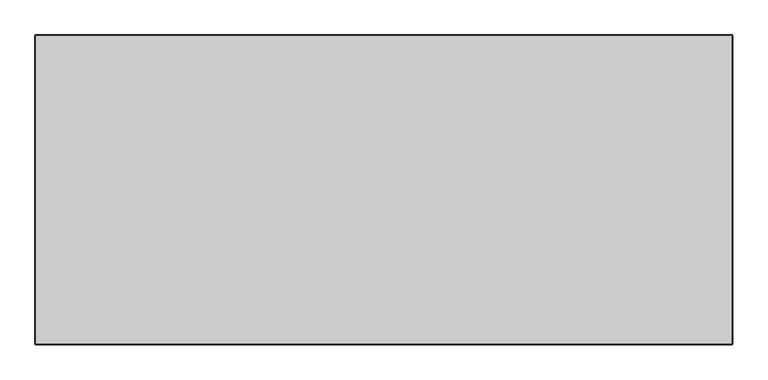
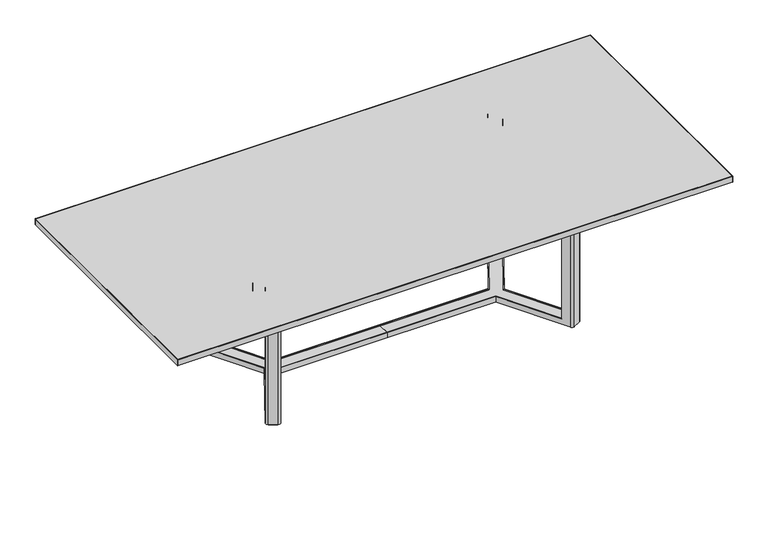
"""IFC4 building model written with IfcOpenShell, lengths in millimetres: furniture geometry."""

from ifc_helpers import new_model, si_unit, point, frame, frame_2d, origin, origin_with_axes, place, context, project, spatial, polyline, circle_curve, trimmed, segment, composite_curve, outline, extrude, source, transform, mapped, element, save
from ifc_brep_helpers import plane_surface, cylinder_surface, advanced_brep


def furniture_3adfea7e(model_context):
    return source(origin(), model_context, "Body", "SolidModel", [
        extrude(outline(polyline([(766.2832198, 334.8467541), (753.2834234, 312.3304463), (745.4895018, 316.8302691), (746.7395039, 318.9953363), (752.3683584, 315.7455157), (762.8682532, 333.931867), (731.6914984, 351.9317747), (721.1916036, 333.7454235), (726.820814, 330.4953973), (725.5708119, 328.33033), (717.7765342, 332.8303584), (730.7763305, 355.3466661), (766.2832198, 334.8467541)])), frame((0.0, 0.0, 3.8124459), z_axis=(0.0, 0.0, 1.0), x_axis=(1.0, 0.0, 0.0)), (0.0, 0.0, 1.0), 3.2441957),
        extrude(outline(polyline([(765.4157059, -335.7676189), (729.9088166, -356.2675309), (716.9090203, -333.7512232), (724.703298, -329.2511949), (725.9533001, -331.4162621), (720.3240897, -334.6662883), (730.8239845, -352.8526395), (762.0007392, -334.8527318), (751.5008444, -316.6663805), (745.87199, -319.9162011), (744.6219878, -317.7511339), (752.4159095, -313.2513111), (765.4157059, -335.7676189)])), frame((0.0, 0.0, 3.8124459), z_axis=(0.0, 0.0, 1.0), x_axis=(1.0, 0.0, 0.0)), (0.0, 0.0, 1.0), 3.2441957),
        extrude(outline(composite_curve([segment(trimmed(circle_curve(frame_2d((741.281989, 333.4237875)), 10.0763448), [point((741.281989, 343.5001323))], [point((741.281989, 323.3474426))], False, "CARTESIAN"), True, "CONTINUOUS"), segment(trimmed(circle_curve(frame_2d((741.281989, 333.4237875)), 10.0763448), [point((741.281989, 323.3474426))], [point((741.281989, 343.5001323))], False, "CARTESIAN"), True, "CONTINUOUS")], self_intersect=False)), origin_with_axes(), (0.0, 0.0, 1.0), 3.8124459),
        extrude(outline(composite_curve([segment(trimmed(circle_curve(frame_2d((741.0781829, -334.87632)), 10.0763448), [point((741.0781829, -324.7999751))], [point((741.0781829, -344.9526648))], False, "CARTESIAN"), True, "CONTINUOUS"), segment(trimmed(circle_curve(frame_2d((741.0781829, -334.87632)), 10.0763448), [point((741.0781829, -344.9526648))], [point((741.0781829, -324.7999751))], False, "CARTESIAN"), True, "CONTINUOUS")], self_intersect=False)), origin_with_axes(), (0.0, 0.0, 1.0), 3.8124459),
        extrude(outline(composite_curve([segment(polyline([(810.1588066, 282.0217727), (782.4631375, 234.0512966)]), True, "CONTINUOUS"), segment(trimmed(circle_curve(frame_2d((771.4646051, 240.4012797)), 12.7), [point((782.4631375, 234.0512966))], [point((765.1146051, 229.4027571))], False, "CARTESIAN"), True, "CONTINUOUS"), segment(polyline([(765.1146051, 229.4027571), (641.3814353, 300.840136)]), True, "CONTINUOUS"), segment(trimmed(circle_curve(frame_2d((647.7314353, 311.8386586)), 12.7), [point((641.3814353, 300.840136))], [point((636.732903, 318.1886417))], False, "CARTESIAN"), True, "CONTINUOUS"), segment(polyline([(636.732903, 318.1886417), (664.4284625, 366.158928)]), True, "CONTINUOUS"), segment(trimmed(circle_curve(frame_2d((737.2936346, 324.0903503)), 84.1373789), [point((664.4284625, 366.158928))], [point((810.1588066, 282.0217727))], False, "CARTESIAN"), True, "CONTINUOUS")], self_intersect=False)), frame((0.0, 0.0, 685.8750439), z_axis=(0.0, 0.0, 1.0), x_axis=(1.0, 0.0, 0.0)), (0.0, 0.0, 1.0), 3.8101841),
        extrude(outline(composite_curve([segment(trimmed(circle_curve(frame_2d((739.3063581, -324.2697206)), 84.1373789), [point((812.1715302, -282.201143))], [point((666.4411861, -366.3382982))], False, "CARTESIAN"), True, "CONTINUOUS"), segment(polyline([(666.4411861, -366.3382982), (638.7456266, -318.368012)]), True, "CONTINUOUS"), segment(trimmed(circle_curve(frame_2d((649.7441589, -312.0180289)), 12.7), [point((638.7456266, -318.368012))], [point((643.3941589, -301.0195063))], False, "CARTESIAN"), True, "CONTINUOUS"), segment(polyline([(643.3941589, -301.0195063), (767.1273287, -229.5821274)]), True, "CONTINUOUS"), segment(trimmed(circle_curve(frame_2d((773.4773287, -240.58065)), 12.7), [point((767.1273287, -229.5821274))], [point((784.4758611, -234.2306669))], False, "CARTESIAN"), True, "CONTINUOUS"), segment(polyline([(784.4758611, -234.2306669), (812.1715302, -282.201143)]), True, "CONTINUOUS")], self_intersect=False)), frame((0.0, 0.0, 685.8750439), z_axis=(0.0, 0.0, 1.0), x_axis=(1.0, 0.0, 0.0)), (0.0, 0.0, 1.0), 3.8101841),
        advanced_brep(
        [(0.0, 33.4101995, 7.539151), (0.0, -33.6798577, 7.539151), (0.0, -33.6798577, 35.368931), (0.0, -30.2791883, 35.368931), (0.0, -30.2791883, 30.5884305), (0.0, 30.279994, 30.5884305), (0.0, 30.279994, 35.368931), (0.0, 33.4101995, 35.368931), (534.9993638, 33.4101995, 35.368931), (534.9993638, 33.4101995, 7.539151), (536.879207, 30.279994, 35.368931), (699.8310922, 319.1637692, 35.368931), (697.0655274, 320.723753, 35.368931), (536.879207, 30.279994, 30.5884305), (535.1210008, -30.2791883, 30.5884305), (698.5106743, -319.9390818, 30.5884305), (751.0708075, -290.2912666, 30.5884305), (588.2038687, -1.5580855, 30.5884305), (754.2458075, 292.8037875, 30.5884305), (701.6856743, 322.4516028, 30.5884305), (535.1210008, -30.2791883, 35.368931), (533.3937193, -33.6798577, 35.368931), (693.8905274, -318.211232, 35.368931), (696.6560922, -316.6512482, 35.368931), (533.3937193, -33.6798577, 7.539151), (717.8843571, 357.6317158, 7.539151), (735.1854589, 362.4537355, 7.539151), (771.1313118, 342.1776072, 7.539151), (775.9533316, 324.8765053, 7.539151), (591.82, -1.5580855, 7.539151), (772.7783316, -322.3639843, 7.539151), (767.9563118, -339.6650862, 7.539151), (732.0104589, -359.9412145, 7.539151), (714.7093571, -355.1191948, 7.539151), (714.7093571, -355.1191948, 685.8750439), (693.8905274, -318.211232, 685.8750439), (696.6560922, -316.6512482, 685.8750439), (698.5106743, -319.9390818, 685.8750439), (751.0708075, -290.2912666, 685.8750439), (749.2162254, -287.003433, 685.8750439), (749.2162254, -287.003433, 35.368931), (588.2038687, -1.5580855, 35.368931), (751.9595019, -285.4560215, 35.368931), (591.82, -1.5580855, 35.368931), (755.1345019, 287.9685425, 35.368931), (752.3912254, 289.515954, 35.368931), (772.7783316, -322.3639843, 685.8750439), (751.9595019, -285.4560215, 685.8750439), (697.0655274, 320.723753, 685.8750439), (717.8843571, 357.6317158, 685.8750439), (701.6856743, 322.4516028, 685.8750439), (699.8310922, 319.1637692, 685.8750439), (752.3912254, 289.515954, 685.8750439), (754.2458075, 292.8037875, 685.8750439), (775.9533316, 324.8765053, 685.8750439), (755.1345019, 287.9685425, 685.8750439), (767.9563118, -339.6650862, 685.8750439), (732.0104589, -359.9412145, 685.8750439), (771.1313118, 342.1776072, 685.8750439), (735.1854589, 362.4537355, 685.8750439)],
        [
            (0, 1),
            (1, 2),
            (2, 3),
            (3, 4),
            (4, 5),
            (5, 6),
            (6, 7),
            (7, 0),
            (7, 8),
            (8, 9),
            (9, 0),
            (6, 10),
            (10, 11),
            (11, 12),
            (12, 8),
            (5, 13),
            (13, 10),
            (4, 14),
            (14, 15),
            (15, 16),
            (16, 17),
            (17, 18),
            (18, 19),
            (19, 13),
            (3, 20),
            (20, 14),
            (2, 21),
            (21, 22),
            (22, 23),
            (23, 20),
            (1, 24),
            (24, 21),
            (9, 25),
            (25, 26, circle_curve(frame((728.9459179, 351.3921747, 7.539151), z_axis=(0.0, 0.0, -1.0), x_axis=(-0.9999498574550038, -0.010014118818836794, 0.0)), 12.7)),
            (26, 27),
            (27, 28, circle_curve(frame((764.8917708, 331.1160464, 7.539151), z_axis=(0.0, 0.0, -1.0), x_axis=(-0.9999498574550038, -0.010014118818836794, 0.0)), 12.7)),
            (28, 29),
            (29, 30),
            (30, 31, circle_curve(frame((761.7167708, -328.6035254, 7.539151), z_axis=(0.0, 0.0, -1.0), x_axis=(-0.9999498574550038, 0.010014118818836794, 0.0)), 12.7)),
            (31, 32),
            (32, 33, circle_curve(frame((725.7709179, -348.8796537, 7.539151), z_axis=(0.0, 0.0, -1.0), x_axis=(-0.9999498574550038, 0.010014118818836794, 0.0)), 12.7)),
            (33, 24),
            (33, 34),
            (34, 35),
            (35, 22),
            (23, 36),
            (36, 37),
            (37, 15),
            (16, 38),
            (38, 39),
            (39, 40),
            (40, 41),
            (41, 17),
            (40, 42),
            (42, 43),
            (43, 44),
            (44, 45),
            (45, 41),
            (46, 30),
            (29, 43),
            (42, 47),
            (47, 46),
            (12, 48),
            (48, 49),
            (49, 25),
            (19, 50),
            (50, 51),
            (51, 11),
            (45, 52),
            (52, 53),
            (53, 18),
            (28, 54),
            (54, 55),
            (55, 44),
            (56, 46, circle_curve(frame((761.7167708, -328.6035254, 685.8750439), z_axis=(0.0, 0.0, 1.0), x_axis=(-0.9999498574550038, 0.010014118818836794, 0.0)), 12.7)),
            (47, 39),
            (38, 37),
            (36, 35),
            (34, 57, circle_curve(frame((725.7709179, -348.8796537, 685.8750439), z_axis=(0.0, 0.0, 1.0), x_axis=(-0.9999498574550038, 0.010014118818836794, 0.0)), 12.7)),
            (57, 56),
            (57, 32),
            (31, 56),
            (58, 59),
            (59, 49, circle_curve(frame((728.9459179, 351.3921747, 685.8750439), z_axis=(0.0, 0.0, 1.0), x_axis=(-0.9999498574550038, -0.010014118818836794, 0.0)), 12.7)),
            (48, 51),
            (50, 53),
            (52, 55),
            (54, 58, circle_curve(frame((764.8917708, 331.1160464, 685.8750439), z_axis=(0.0, 0.0, 1.0), x_axis=(-0.9999498574550038, -0.010014118818836794, 0.0)), 12.7)),
            (58, 27),
            (26, 59),
        ],
        [
            plane_surface(frame((0.0, 33.4101995, 35.3689158), z_axis=(-1.0, 0.0, 0.0), x_axis=(0.0, 0.0, 1.0))),
            plane_surface(frame((0.0, 33.4101995, 7.539151), z_axis=(0.0, 1.0, 0.0), x_axis=(1.0, 0.0, 0.0))),
            plane_surface(frame((0.0, 33.4101995, 35.368931), z_axis=(0.0, 0.0, 1.0), x_axis=(1.0, 0.0, 0.0))),
            plane_surface(frame((0.0, 30.279994, 35.368931), z_axis=(0.0, -1.0, 0.0), x_axis=(1.0, 0.0, 0.0))),
            plane_surface(frame((0.0, 30.279994, 30.5884305), z_axis=(0.0, 0.0, 1.0), x_axis=(1.0, 0.0, 0.0))),
            plane_surface(frame((0.0, -30.2791883, 30.5884305), z_axis=(0.0, 1.0, 0.0), x_axis=(1.0, 0.0, 0.0))),
            plane_surface(frame((0.0, -30.2791883, 35.368931), z_axis=(0.0, 0.0, 1.0), x_axis=(1.0, 0.0, 0.0))),
            plane_surface(frame((0.0, -33.6798577, 35.368931), z_axis=(0.0, -1.0, 0.0), x_axis=(1.0, 0.0, 0.0))),
            plane_surface(frame((0.0, -33.6798577, 7.539151), z_axis=(0.0, 0.0, -1.0), x_axis=(1.0, 0.0, 0.0))),
            plane_surface(frame((529.7273677, -27.1800894, 35.3689158), z_axis=(-0.870989038476083, -0.49130244743386786, 0.0), x_axis=(0.49130244743386786, -0.870989038476083, 0.0))),
            plane_surface(frame((532.4929325, -25.6201056, 30.5884305), z_axis=(0.870989038476083, 0.49130244743386786, 0.0), x_axis=(0.49130244743386786, -0.870989038476083, 0.0))),
            plane_surface(frame((585.0530657, 4.0277096, 35.368931), z_axis=(-0.870989038476083, -0.49130244743386786, 0.0), x_axis=(0.49130244743386786, -0.870989038476083, 0.0))),
            plane_surface(frame((587.7963421, 5.5751211, 35.368931), z_axis=(0.0, 0.0, 1.0), x_axis=(0.49130244743386786, -0.870989038476083, 0.0))),
            plane_surface(frame((587.7963421, 5.5751211, 7.539151), z_axis=(0.870989038476083, 0.49130244743386786, 0.0), x_axis=(0.49130244743386786, -0.870989038476083, 0.0))),
            plane_surface(frame((526.0282509, 17.5060635, 7.539151), z_axis=(-0.8709890384760831, 0.49130244743386764, 0.0), x_axis=(0.49130244743386764, 0.8709890384760831, 0.0))),
            plane_surface(frame((528.7938158, 15.9460797, 35.3689158), z_axis=(0.8709890384760829, -0.491302447433868, 0.0), x_axis=(0.491302447433868, 0.8709890384760829, 0.0))),
            plane_surface(frame((581.353949, -13.7017355, 30.5884305), z_axis=(-0.8709890384760831, 0.49130244743386764, 0.0), x_axis=(0.49130244743386764, 0.8709890384760831, 0.0))),
            plane_surface(frame((584.0972254, -15.249147, 35.368931), z_axis=(0.8709890384760829, -0.49130244743386803, 0.0), x_axis=(0.49130244743386803, 0.8709890384760829, 0.0))),
            plane_surface(frame((893.8064536, -207.1969417, 685.8750439), z_axis=(0.0, 0.0, 1.0), x_axis=(-0.9999498574550038, 0.010014118818836794, 0.0))),
            plane_surface(frame((767.9563118, -339.6650862, 685.8750439), z_axis=(0.49130244743386564, -0.8709890384760842, 0.0), x_axis=(0.0, 0.0, -1.0))),
            cylinder_surface(frame((725.7709179, -348.8796537, 685.8750439), z_axis=(0.0, 0.0, 1.0), x_axis=(-0.9999498574550038, 0.010014118818836794, 0.0)), 12.7),
            plane_surface(frame((693.8905274, -318.211232, 685.8750439), z_axis=(-0.491302447433872, 0.8709890384760807, 0.0), x_axis=(0.0, 0.0, -1.0))),
            plane_surface(frame((749.2162254, -287.003433, 685.8750439), z_axis=(-0.4913024474338569, 0.8709890384760892, 0.0), x_axis=(0.0, 0.0, -1.0))),
            cylinder_surface(frame((761.7167708, -328.6035254, 685.8750439), z_axis=(0.0, 0.0, 1.0), x_axis=(-0.9999498574550038, 0.010014118818836794, 0.0)), 12.7),
            plane_surface(frame((698.5106743, -319.9390818, 685.8750439), z_axis=(-0.49130244743386675, 0.8709890384760837, 0.0), x_axis=(0.0, 0.0, -1.0))),
            plane_surface(frame((896.9814536, 209.7094627, 685.8750439), z_axis=(0.0, 0.0, 1.0), x_axis=(-0.9999498574550038, -0.010014118818836794, 0.0))),
            plane_surface(frame((735.1854589, 362.4537355, 685.8750439), z_axis=(0.49130244743386564, 0.8709890384760842, 0.0), x_axis=(0.0, 0.0, -1.0))),
            cylinder_surface(frame((728.9459179, 351.3921747, 685.8750439), z_axis=(0.0, 0.0, 1.0), x_axis=(-0.9999498574550038, -0.010014118818836794, 0.0)), 12.7),
            plane_surface(frame((699.8310922, 319.1637692, 685.8750439), z_axis=(-0.491302447433872, -0.8709890384760807, 0.0), x_axis=(0.0, 0.0, -1.0))),
            plane_surface(frame((755.1345019, 287.9685425, 685.8750439), z_axis=(-0.49130244743384877, -0.8709890384760938, 0.0), x_axis=(0.0, 0.0, -1.0))),
            cylinder_surface(frame((764.8917708, 331.1160464, 685.8750439), z_axis=(0.0, 0.0, 1.0), x_axis=(-0.9999498574550038, -0.010014118818836794, 0.0)), 12.7),
            plane_surface(frame((754.2458075, 292.8037875, 685.8750439), z_axis=(-0.49130244743386675, -0.8709890384760837, 0.0), x_axis=(0.0, 0.0, -1.0))),
        ],
        [
            (0, [[1, 2, 3, 4, 5, 6, 7, 8]]),
            (1, [[9, 10, 11, -8]]),
            (2, [[12, 13, 14, 15, -9, -7]]),
            (3, [[16, 17, -12, -6]]),
            (4, [[18, 19, 20, 21, 22, 23, 24, -16, -5]]),
            (5, [[25, 26, -18, -4]]),
            (6, [[27, 28, 29, 30, -25, -3]]),
            (7, [[31, 32, -27, -2]]),
            (8, [[-11, 33, 34, 35, 36, 37, 38, 39, 40, 41, 42, -31, -1]]),
            (9, [[-42, 43, 44, 45, -28, -32]]),
            (10, [[-30, 46, 47, 48, -19, -26]]),
            (11, [[-21, 49, 50, 51, 52, 53]]),
            (12, [[54, 55, 56, 57, 58, -52]]),
            (13, [[59, -38, 60, -55, 61, 62]]),
            (14, [[-15, 63, 64, 65, -33, -10]]),
            (15, [[-24, 66, 67, 68, -13, -17]]),
            (16, [[-58, 69, 70, 71, -22, -53]]),
            (17, [[72, 73, 74, -56, -60, -37]]),
            (18, [[75, -62, 76, -50, 77, -47, 78, -44, 79, 80]]),
            (19, [[81, -40, 82, -80]]),
            (20, [[-43, -41, -81, -79]]),
            (21, [[-46, -29, -45, -78]]),
            (22, [[-61, -54, -51, -76]]),
            (23, [[-82, -39, -59, -75]]),
            (24, [[-49, -20, -48, -77]]),
            (25, [[83, 84, -64, 85, -67, 86, -70, 87, -73, 88]]),
            (26, [[89, -35, 90, -83]]),
            (27, [[-90, -34, -65, -84]]),
            (28, [[-63, -14, -68, -85]]),
            (29, [[-69, -57, -74, -87]]),
            (30, [[-72, -36, -89, -88]]),
            (31, [[-23, -71, -86, -66]]),
        ],
    ),
        extrude(outline(polyline([(-766.2832198, 334.8467541), (-730.7763305, 355.3466661), (-717.7765342, 332.8303584), (-725.5708119, 328.33033), (-726.820814, 330.4953973), (-721.1916036, 333.7454235), (-731.6914984, 351.9317747), (-762.8682532, 333.931867), (-752.3683584, 315.7455157), (-746.7395039, 318.9953363), (-745.4895018, 316.8302691), (-753.2834234, 312.3304463), (-766.2832198, 334.8467541)])), frame((0.0, 0.0, 3.8124459), z_axis=(0.0, 0.0, 1.0), x_axis=(1.0, 0.0, 0.0)), (0.0, 0.0, 1.0), 3.2441957),
        extrude(outline(polyline([(-765.4157059, -335.7676189), (-752.4159095, -313.2513111), (-744.6219878, -317.7511339), (-745.87199, -319.9162011), (-751.5008444, -316.6663805), (-762.0007392, -334.8527318), (-730.8239845, -352.8526395), (-720.3240897, -334.6662883), (-725.9533001, -331.4162621), (-724.703298, -329.2511949), (-716.9090203, -333.7512232), (-729.9088166, -356.2675309), (-765.4157059, -335.7676189)])), frame((0.0, 0.0, 3.8124459), z_axis=(0.0, 0.0, 1.0), x_axis=(1.0, 0.0, 0.0)), (0.0, 0.0, 1.0), 3.2441957),
        extrude(outline(composite_curve([segment(trimmed(circle_curve(frame_2d((-741.281989, 333.4237875)), 10.0763448), [point((-741.281989, 343.5001323))], [point((-741.281989, 323.3474426))], False, "CARTESIAN"), True, "CONTINUOUS"), segment(trimmed(circle_curve(frame_2d((-741.281989, 333.4237875)), 10.0763448), [point((-741.281989, 323.3474426))], [point((-741.281989, 343.5001323))], False, "CARTESIAN"), True, "CONTINUOUS")], self_intersect=False)), origin_with_axes(), (0.0, 0.0, 1.0), 3.8124459),
        extrude(outline(composite_curve([segment(trimmed(circle_curve(frame_2d((-741.0781829, -334.87632)), 10.0763448), [point((-741.0781829, -324.7999751))], [point((-741.0781829, -344.9526648))], False, "CARTESIAN"), True, "CONTINUOUS"), segment(trimmed(circle_curve(frame_2d((-741.0781829, -334.87632)), 10.0763448), [point((-741.0781829, -344.9526648))], [point((-741.0781829, -324.7999751))], False, "CARTESIAN"), True, "CONTINUOUS")], self_intersect=False)), origin_with_axes(), (0.0, 0.0, 1.0), 3.8124459),
        extrude(outline(composite_curve([segment(trimmed(circle_curve(frame_2d((-737.2936346, 324.0903503)), 84.1373789), [point((-810.1588066, 282.0217727))], [point((-664.4284625, 366.158928))], False, "CARTESIAN"), True, "CONTINUOUS"), segment(polyline([(-664.4284625, 366.158928), (-636.732903, 318.1886417)]), True, "CONTINUOUS"), segment(trimmed(circle_curve(frame_2d((-647.7314353, 311.8386586)), 12.7), [point((-636.732903, 318.1886417))], [point((-641.3814353, 300.840136))], False, "CARTESIAN"), True, "CONTINUOUS"), segment(polyline([(-641.3814353, 300.840136), (-765.1146051, 229.4027571)]), True, "CONTINUOUS"), segment(trimmed(circle_curve(frame_2d((-771.4646051, 240.4012797)), 12.7), [point((-765.1146051, 229.4027571))], [point((-782.4631375, 234.0512966))], False, "CARTESIAN"), True, "CONTINUOUS"), segment(polyline([(-782.4631375, 234.0512966), (-810.1588066, 282.0217727)]), True, "CONTINUOUS")], self_intersect=False)), frame((0.0, 0.0, 685.8750439), z_axis=(0.0, 0.0, 1.0), x_axis=(1.0, 0.0, 0.0)), (0.0, 0.0, 1.0), 3.8101841),
        extrude(outline(composite_curve([segment(polyline([(-812.1715302, -282.201143), (-784.4758611, -234.2306669)]), True, "CONTINUOUS"), segment(trimmed(circle_curve(frame_2d((-773.4773287, -240.58065)), 12.7), [point((-784.4758611, -234.2306669))], [point((-767.1273287, -229.5821274))], False, "CARTESIAN"), True, "CONTINUOUS"), segment(polyline([(-767.1273287, -229.5821274), (-643.3941589, -301.0195063)]), True, "CONTINUOUS"), segment(trimmed(circle_curve(frame_2d((-649.7441589, -312.0180289)), 12.7), [point((-643.3941589, -301.0195063))], [point((-638.7456266, -318.368012))], False, "CARTESIAN"), True, "CONTINUOUS"), segment(polyline([(-638.7456266, -318.368012), (-666.4411861, -366.3382982)]), True, "CONTINUOUS"), segment(trimmed(circle_curve(frame_2d((-739.3063581, -324.2697206)), 84.1373789), [point((-666.4411861, -366.3382982))], [point((-812.1715302, -282.201143))], False, "CARTESIAN"), True, "CONTINUOUS")], self_intersect=False)), frame((0.0, 0.0, 685.8750439), z_axis=(0.0, 0.0, 1.0), x_axis=(1.0, 0.0, 0.0)), (0.0, 0.0, 1.0), 3.8101841),
        advanced_brep(
        [(0.0, 33.4101995, 7.539151), (0.0, 33.4101995, 35.368931), (0.0, 30.279994, 35.368931), (0.0, 30.279994, 30.5884305), (0.0, -30.2791883, 30.5884305), (0.0, -30.2791883, 35.368931), (0.0, -33.6798577, 35.368931), (0.0, -33.6798577, 7.539151), (-534.9993638, 33.4101995, 7.539151), (-534.9993638, 33.4101995, 35.368931), (-697.0655274, 320.723753, 35.368931), (-699.8310922, 319.1637692, 35.368931), (-536.879207, 30.279994, 35.368931), (-536.879207, 30.279994, 30.5884305), (-701.6856743, 322.4516028, 30.5884305), (-754.2458075, 292.8037875, 30.5884305), (-588.2038687, -1.5580855, 30.5884305), (-751.0708075, -290.2912666, 30.5884305), (-698.5106743, -319.9390818, 30.5884305), (-535.1210008, -30.2791883, 30.5884305), (-535.1210008, -30.2791883, 35.368931), (-696.6560922, -316.6512482, 35.368931), (-693.8905274, -318.211232, 35.368931), (-533.3937193, -33.6798577, 35.368931), (-533.3937193, -33.6798577, 7.539151), (-714.7093571, -355.1191948, 7.539151), (-732.0104589, -359.9412145, 7.539151), (-767.9563118, -339.6650862, 7.539151), (-772.7783316, -322.3639843, 7.539151), (-591.82, -1.5580855, 7.539151), (-775.9533316, 324.8765053, 7.539151), (-771.1313118, 342.1776072, 7.539151), (-735.1854589, 362.4537355, 7.539151), (-717.8843571, 357.6317158, 7.539151), (-693.8905274, -318.211232, 685.8750439), (-714.7093571, -355.1191948, 685.8750439), (-698.5106743, -319.9390818, 685.8750439), (-696.6560922, -316.6512482, 685.8750439), (-588.2038687, -1.5580855, 35.368931), (-749.2162254, -287.003433, 35.368931), (-749.2162254, -287.003433, 685.8750439), (-751.0708075, -290.2912666, 685.8750439), (-752.3912254, 289.515954, 35.368931), (-755.1345019, 287.9685425, 35.368931), (-591.82, -1.5580855, 35.368931), (-751.9595019, -285.4560215, 35.368931), (-772.7783316, -322.3639843, 685.8750439), (-751.9595019, -285.4560215, 685.8750439), (-717.8843571, 357.6317158, 685.8750439), (-697.0655274, 320.723753, 685.8750439), (-699.8310922, 319.1637692, 685.8750439), (-701.6856743, 322.4516028, 685.8750439), (-754.2458075, 292.8037875, 685.8750439), (-752.3912254, 289.515954, 685.8750439), (-755.1345019, 287.9685425, 685.8750439), (-775.9533316, 324.8765053, 685.8750439), (-767.9563118, -339.6650862, 685.8750439), (-732.0104589, -359.9412145, 685.8750439), (-771.1313118, 342.1776072, 685.8750439), (-735.1854589, 362.4537355, 685.8750439)],
        [
            (0, 1),
            (1, 2),
            (2, 3),
            (3, 4),
            (4, 5),
            (5, 6),
            (6, 7),
            (7, 0),
            (0, 8),
            (8, 9),
            (9, 1),
            (9, 10),
            (10, 11),
            (11, 12),
            (12, 2),
            (12, 13),
            (13, 3),
            (13, 14),
            (14, 15),
            (15, 16),
            (16, 17),
            (17, 18),
            (18, 19),
            (19, 4),
            (19, 20),
            (20, 5),
            (20, 21),
            (21, 22),
            (22, 23),
            (23, 6),
            (23, 24),
            (24, 7),
            (24, 25),
            (25, 26, circle_curve(frame((-725.7709179, -348.8796537, 7.539151), z_axis=(0.0, 0.0, -1.0), x_axis=(0.9999498574550038, 0.010014118818836794, 0.0)), 12.7)),
            (26, 27),
            (27, 28, circle_curve(frame((-761.7167708, -328.6035254, 7.539151), z_axis=(0.0, 0.0, -1.0), x_axis=(0.9999498574550038, 0.010014118818836794, 0.0)), 12.7)),
            (28, 29),
            (29, 30),
            (30, 31, circle_curve(frame((-764.8917708, 331.1160464, 7.539151), z_axis=(0.0, 0.0, -1.0), x_axis=(0.9999498574550038, -0.010014118818836794, 0.0)), 12.7)),
            (31, 32),
            (32, 33, circle_curve(frame((-728.9459179, 351.3921747, 7.539151), z_axis=(0.0, 0.0, -1.0), x_axis=(0.9999498574550038, -0.010014118818836794, 0.0)), 12.7)),
            (33, 8),
            (22, 34),
            (34, 35),
            (35, 25),
            (18, 36),
            (36, 37),
            (37, 21),
            (16, 38),
            (38, 39),
            (39, 40),
            (40, 41),
            (41, 17),
            (38, 42),
            (42, 43),
            (43, 44),
            (44, 45),
            (45, 39),
            (46, 47),
            (47, 45),
            (44, 29),
            (28, 46),
            (33, 48),
            (48, 49),
            (49, 10),
            (11, 50),
            (50, 51),
            (51, 14),
            (15, 52),
            (52, 53),
            (53, 42),
            (43, 54),
            (54, 55),
            (55, 30),
            (56, 57),
            (57, 35, circle_curve(frame((-725.7709179, -348.8796537, 685.8750439), z_axis=(0.0, 0.0, 1.0), x_axis=(0.9999498574550038, 0.010014118818836794, 0.0)), 12.7)),
            (34, 37),
            (36, 41),
            (40, 47),
            (46, 56, circle_curve(frame((-761.7167708, -328.6035254, 685.8750439), z_axis=(0.0, 0.0, 1.0), x_axis=(0.9999498574550038, 0.010014118818836794, 0.0)), 12.7)),
            (56, 27),
            (26, 57),
            (58, 55, circle_curve(frame((-764.8917708, 331.1160464, 685.8750439), z_axis=(0.0, 0.0, 1.0), x_axis=(0.9999498574550038, -0.010014118818836794, 0.0)), 12.7)),
            (54, 53),
            (52, 51),
            (50, 49),
            (48, 59, circle_curve(frame((-728.9459179, 351.3921747, 685.8750439), z_axis=(0.0, 0.0, 1.0), x_axis=(0.9999498574550038, -0.010014118818836794, 0.0)), 12.7)),
            (59, 58),
            (59, 32),
            (31, 58),
        ],
        [
            plane_surface(frame((0.0, 33.4101995, 35.3689158), z_axis=(1.0, 0.0, 0.0), x_axis=(0.0, 0.0, 1.0))),
            plane_surface(frame((0.0, 33.4101995, 7.539151), z_axis=(0.0, 1.0, 0.0), x_axis=(-1.0, 0.0, 0.0))),
            plane_surface(frame((0.0, 33.4101995, 35.368931), z_axis=(0.0, 0.0, 1.0), x_axis=(-1.0, 0.0, 0.0))),
            plane_surface(frame((0.0, 30.279994, 35.368931), z_axis=(0.0, -1.0, 0.0), x_axis=(-1.0, 0.0, 0.0))),
            plane_surface(frame((0.0, 30.279994, 30.5884305), z_axis=(0.0, 0.0, 1.0), x_axis=(-1.0, 0.0, 0.0))),
            plane_surface(frame((0.0, -30.2791883, 30.5884305), z_axis=(0.0, 1.0, 0.0), x_axis=(-1.0, 0.0, 0.0))),
            plane_surface(frame((0.0, -30.2791883, 35.368931), z_axis=(0.0, 0.0, 1.0), x_axis=(-1.0, 0.0, 0.0))),
            plane_surface(frame((0.0, -33.6798577, 35.368931), z_axis=(0.0, -1.0, 0.0), x_axis=(-1.0, 0.0, 0.0))),
            plane_surface(frame((0.0, -33.6798577, 7.539151), z_axis=(0.0, 0.0, -1.0), x_axis=(-1.0, 0.0, 0.0))),
            plane_surface(frame((-529.7273677, -27.1800894, 35.3689158), z_axis=(0.870989038476083, -0.49130244743386786, 0.0), x_axis=(-0.49130244743386786, -0.870989038476083, 0.0))),
            plane_surface(frame((-532.4929325, -25.6201056, 30.5884305), z_axis=(-0.870989038476083, 0.49130244743386786, 0.0), x_axis=(-0.49130244743386786, -0.870989038476083, 0.0))),
            plane_surface(frame((-585.0530657, 4.0277096, 35.368931), z_axis=(0.870989038476083, -0.49130244743386786, 0.0), x_axis=(-0.49130244743386786, -0.870989038476083, 0.0))),
            plane_surface(frame((-587.7963421, 5.5751211, 35.368931), z_axis=(0.0, 0.0, 1.0), x_axis=(-0.49130244743386786, -0.870989038476083, 0.0))),
            plane_surface(frame((-587.7963421, 5.5751211, 7.539151), z_axis=(-0.870989038476083, 0.49130244743386786, 0.0), x_axis=(-0.49130244743386786, -0.870989038476083, 0.0))),
            plane_surface(frame((-526.0282509, 17.5060635, 7.539151), z_axis=(0.8709890384760831, 0.49130244743386764, 0.0), x_axis=(-0.49130244743386764, 0.8709890384760831, 0.0))),
            plane_surface(frame((-528.7938158, 15.9460797, 35.3689158), z_axis=(-0.8709890384760829, -0.491302447433868, 0.0), x_axis=(-0.491302447433868, 0.8709890384760829, 0.0))),
            plane_surface(frame((-581.353949, -13.7017355, 30.5884305), z_axis=(0.8709890384760831, 0.49130244743386764, 0.0), x_axis=(-0.49130244743386764, 0.8709890384760831, 0.0))),
            plane_surface(frame((-584.0972254, -15.249147, 35.368931), z_axis=(-0.8709890384760829, -0.49130244743386803, 0.0), x_axis=(-0.49130244743386803, 0.8709890384760829, 0.0))),
            plane_surface(frame((-893.8064536, -207.1969417, 685.8750439), z_axis=(0.0, 0.0, 1.0), x_axis=(0.9999498574550038, 0.010014118818836794, 0.0))),
            plane_surface(frame((-767.9563118, -339.6650862, 685.8750439), z_axis=(-0.49130244743386564, -0.8709890384760842, 0.0), x_axis=(0.0, 0.0, -1.0))),
            cylinder_surface(frame((-725.7709179, -348.8796537, 685.8750439), z_axis=(0.0, 0.0, 1.0), x_axis=(0.9999498574550038, 0.010014118818836794, 0.0)), 12.7),
            plane_surface(frame((-693.8905274, -318.211232, 685.8750439), z_axis=(0.491302447433872, 0.8709890384760807, 0.0), x_axis=(0.0, 0.0, -1.0))),
            plane_surface(frame((-749.2162254, -287.003433, 685.8750439), z_axis=(0.4913024474338569, 0.8709890384760892, 0.0), x_axis=(0.0, 0.0, -1.0))),
            cylinder_surface(frame((-761.7167708, -328.6035254, 685.8750439), z_axis=(0.0, 0.0, 1.0), x_axis=(0.9999498574550038, 0.010014118818836794, 0.0)), 12.7),
            plane_surface(frame((-698.5106743, -319.9390818, 685.8750439), z_axis=(0.49130244743386675, 0.8709890384760837, 0.0), x_axis=(0.0, 0.0, -1.0))),
            plane_surface(frame((-896.9814536, 209.7094627, 685.8750439), z_axis=(0.0, 0.0, 1.0), x_axis=(0.9999498574550038, -0.010014118818836794, 0.0))),
            plane_surface(frame((-735.1854589, 362.4537355, 685.8750439), z_axis=(-0.49130244743386564, 0.8709890384760842, 0.0), x_axis=(0.0, 0.0, -1.0))),
            cylinder_surface(frame((-728.9459179, 351.3921747, 685.8750439), z_axis=(0.0, 0.0, 1.0), x_axis=(0.9999498574550038, -0.010014118818836794, 0.0)), 12.7),
            plane_surface(frame((-699.8310922, 319.1637692, 685.8750439), z_axis=(0.491302447433872, -0.8709890384760807, 0.0), x_axis=(0.0, 0.0, -1.0))),
            plane_surface(frame((-755.1345019, 287.9685425, 685.8750439), z_axis=(0.49130244743384877, -0.8709890384760938, 0.0), x_axis=(0.0, 0.0, -1.0))),
            cylinder_surface(frame((-764.8917708, 331.1160464, 685.8750439), z_axis=(0.0, 0.0, 1.0), x_axis=(0.9999498574550038, -0.010014118818836794, 0.0)), 12.7),
            plane_surface(frame((-754.2458075, 292.8037875, 685.8750439), z_axis=(0.49130244743386675, -0.8709890384760837, 0.0), x_axis=(0.0, 0.0, -1.0))),
        ],
        [
            (0, [[1, 2, 3, 4, 5, 6, 7, 8]]),
            (1, [[-1, 9, 10, 11]]),
            (2, [[-2, -11, 12, 13, 14, 15]]),
            (3, [[-3, -15, 16, 17]]),
            (4, [[-4, -17, 18, 19, 20, 21, 22, 23, 24]]),
            (5, [[-5, -24, 25, 26]]),
            (6, [[-6, -26, 27, 28, 29, 30]]),
            (7, [[-7, -30, 31, 32]]),
            (8, [[-8, -32, 33, 34, 35, 36, 37, 38, 39, 40, 41, 42, -9]]),
            (9, [[-31, -29, 43, 44, 45, -33]]),
            (10, [[-25, -23, 46, 47, 48, -27]]),
            (11, [[49, 50, 51, 52, 53, -21]]),
            (12, [[-50, 54, 55, 56, 57, 58]]),
            (13, [[59, 60, -57, 61, -37, 62]]),
            (14, [[-10, -42, 63, 64, 65, -12]]),
            (15, [[-16, -14, 66, 67, 68, -18]]),
            (16, [[-49, -20, 69, 70, 71, -54]]),
            (17, [[-38, -61, -56, 72, 73, 74]]),
            (18, [[75, 76, -44, 77, -47, 78, -52, 79, -59, 80]]),
            (19, [[-75, 81, -35, 82]]),
            (20, [[-76, -82, -34, -45]]),
            (21, [[-77, -43, -28, -48]]),
            (22, [[-79, -51, -58, -60]]),
            (23, [[-80, -62, -36, -81]]),
            (24, [[-78, -46, -22, -53]]),
            (25, [[83, -73, 84, -70, 85, -67, 86, -64, 87, 88]]),
            (26, [[-88, 89, -40, 90]]),
            (27, [[-87, -63, -41, -89]]),
            (28, [[-86, -66, -13, -65]]),
            (29, [[-84, -72, -55, -71]]),
            (30, [[-83, -90, -39, -74]]),
            (31, [[-68, -85, -69, -19]]),
        ],
    ),
        extrude(outline(polyline([(1368.6001831, 606.5998924), (1368.6001831, -606.5998924), (-1368.6001831, -606.5998924), (-1368.6001831, 606.5998924), (1368.6001831, 606.5998924)])), frame((0.0, 0.0, 689.685228), z_axis=(0.0, 0.0, 1.0), x_axis=(1.0, 0.0, 0.0)), (0.0, 0.0, 1.0), 29.4720911),
        extrude(outline(composite_curve([segment(trimmed(circle_curve(frame_2d((-1368.4277007, -606.4277007)), 3.1722993), [point((-1368.4277007, -609.6))], [point((-1371.6, -606.4277007))], False, "CARTESIAN"), True, "CONTINUOUS"), segment(polyline([(-1371.6, -606.4277007), (-1371.6, 606.4786979)]), True, "CONTINUOUS"), segment(trimmed(circle_curve(frame_2d((-1368.4786979, 606.4786979)), 3.1213021), [point((-1371.6, 606.4786979))], [point((-1368.4786979, 609.6))], False, "CARTESIAN"), True, "CONTINUOUS"), segment(polyline([(-1368.4786979, 609.6), (1368.552, 609.6)]), True, "CONTINUOUS"), segment(trimmed(circle_curve(frame_2d((1368.552, 606.552)), 3.048), [point((1368.552, 609.6))], [point((1371.6, 606.552))], False, "CARTESIAN"), True, "CONTINUOUS"), segment(polyline([(1371.6, 606.552), (1371.6, -606.552)]), True, "CONTINUOUS"), segment(trimmed(circle_curve(frame_2d((1368.552, -606.552)), 3.048), [point((1371.6, -606.552))], [point((1368.552, -609.6))], False, "CARTESIAN"), True, "CONTINUOUS"), segment(polyline([(1368.552, -609.6), (-1368.4277007, -609.6)]), True, "CONTINUOUS")], self_intersect=False), holes=[polyline([(1368.6001831, 606.5998924), (-1368.6001831, 606.5998924), (-1368.6001831, -606.5998924), (1368.6001831, -606.5998924), (1368.6001831, 606.5998924)])]), frame((0.0, 0.0, 689.685228), z_axis=(0.0, 0.0, 1.0), x_axis=(1.0, 0.0, 0.0)), (0.0, 0.0, 1.0), 29.4720911),
    ])


if __name__ == "__main__":
    model = new_model("IFC4")
    model_context = context("Model", 3, world=origin())
    ifc_project = project(units=[si_unit("LENGTHUNIT", "METRE", prefix="MILLI")], contexts=[model_context])
    site = spatial("IfcSite", under=ifc_project)
    building = spatial("IfcBuilding", under=site)
    placement = place(None, origin())
    furniture_shape = furniture_3adfea7e(model_context)
    element("IfcFurniture", 1, at=placement, inside=building, context=model_context, shape_type="MappedRepresentation", body=[
        mapped(furniture_shape, transform((0.0, 0.0, 0.0), x_axis=(1.0, 0.0, 0.0), y_axis=(0.0, 1.0, 0.0), z_axis=(0.0, 0.0, 1.0))),
    ])
    save(model, "model.ifc")
